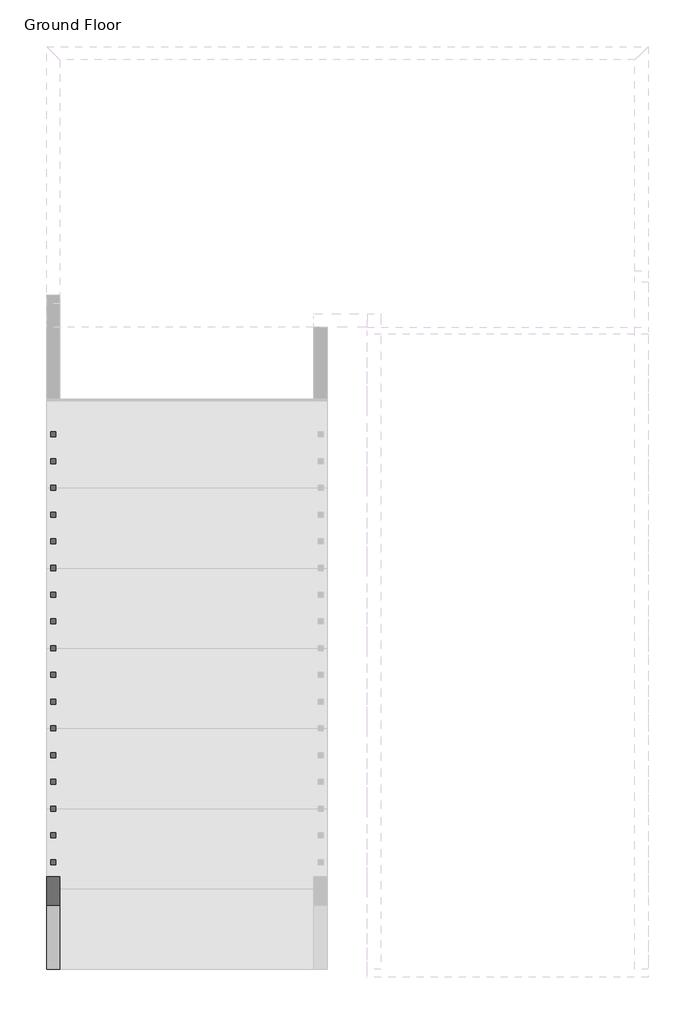
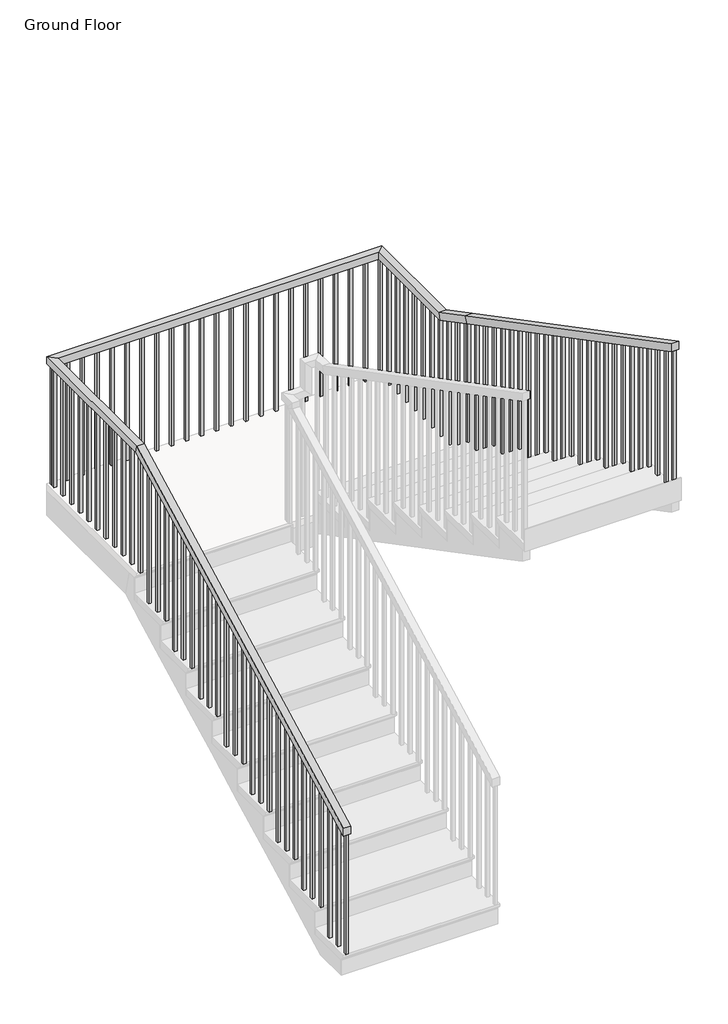
# One storey, part 4 of 10: 1 railing.
"""IFC4 building model written with IfcOpenShell, lengths in millimetres."""

import ifcopenshell
import ifcopenshell.guid

model = None  # the IFC model being written
_history = None  # IfcOwnerHistory: only IFC2X3 demands one
_inside = {}  # id of a spatial element -> (the spatial element, [elements in it])
_under = {}  # id of a project, library or spatial element -> (it, [spatial elements below it])
_declared = {}  # id of a project -> (the project, [libraries it declares])
_typed = {}  # id of a type object -> (the type object, [elements of that type])
_made_of = {}  # id of a material, layer set ... -> (it, [elements and type objects made of it])


def new_model(schema):
    """Start an empty IFC model of exactly this schema.

    Asked for "IFC4X3", IfcOpenShell would pick the latest addendum, in which some entities
    have other attributes; the version numbers below select the first issue.
    IFC2X3 requires an IfcOwnerHistory on every rooted entity: one is made here for all.
    """
    global model, _history
    if schema == "IFC4X3":
        model = ifcopenshell.file(schema_version=(4, 3, 0, 0))
    else:
        model = ifcopenshell.file(schema=schema)
    _inside.clear()
    _under.clear()
    _declared.clear()
    _typed.clear()
    _made_of.clear()
    _history = None
    if model.schema == "IFC2X3":
        org = make("IfcOrganization", Name="unknown")
        user = make(
            "IfcPersonAndOrganization",
            ThePerson=make("IfcPerson", FamilyName="unknown"),
            TheOrganization=org,
        )
        app = make(
            "IfcApplication",
            ApplicationDeveloper=org,
            Version="unknown",
            ApplicationFullName="unknown",
            ApplicationIdentifier="unknown",
        )
        _history = make(
            "IfcOwnerHistory",
            OwningUser=user,
            OwningApplication=app,
            ChangeAction="ADDED",
            CreationDate=0,
        )
    return model


def make(cls, **values):
    """One entity of the class cls with the attributes given. An attribute that is None is left unset."""
    return model.create_entity(
        cls, **{name: value for name, value in values.items() if value is not None}
    )


def rooted(cls, **values):
    """An entity with a GlobalId (a new one), such as an element, a storey or a relation."""
    return make(cls, GlobalId=ifcopenshell.guid.new(), OwnerHistory=_history, **values)


def si_unit(unit_type, name, prefix=None):
    """IfcSIUnit, for example si_unit("LENGTHUNIT", "METRE", prefix="MILLI")."""
    return make("IfcSIUnit", UnitType=unit_type, Prefix=prefix, Name=name)


def assignment(units):
    """IfcUnitAssignment: the units of a project."""
    return None if units is None else make("IfcUnitAssignment", Units=units)


def point(xyz):
    """IfcCartesianPoint."""
    return None if xyz is None else make("IfcCartesianPoint", Coordinates=xyz)


def direction(xyz):
    """IfcDirection."""
    return None if xyz is None else make("IfcDirection", DirectionRatios=xyz)


def frame(location, z_axis=None, x_axis=None):
    """IfcAxis2Placement3D, a coordinate frame: its origin and axes. An axis left out is left unset."""
    return make(
        "IfcAxis2Placement3D",
        Location=point(location),
        Axis=direction(z_axis),
        RefDirection=direction(x_axis),
    )


def origin():
    """The frame at (0, 0, 0) with its axes left unset."""
    return frame((0.0, 0.0, 0.0))


def place(relative_to, where):
    """IfcLocalPlacement: puts the frame where relative to a parent placement (None: the world)."""
    return make(
        "IfcLocalPlacement", PlacementRelTo=relative_to, RelativePlacement=where
    )


def context(
    kind, dimensions, precision=None, world=None, true_north=None, identifier=None
):
    """IfcGeometricRepresentationContext, for example the 3D "Model" context."""
    return make(
        "IfcGeometricRepresentationContext",
        ContextIdentifier=identifier,
        ContextType=kind,
        CoordinateSpaceDimension=dimensions,
        Precision=precision,
        WorldCoordinateSystem=world,
        TrueNorth=true_north,
    )


def project(units=None, contexts=None):
    """IfcProject with its units and contexts."""
    return rooted(
        "IfcProject",
        Name="project",
        RepresentationContexts=contexts,
        UnitsInContext=assignment(units),
    )


def spatial(cls, under=None, at=None, **own):
    """A site, building, storey or space (cls), placed at a placement, below another one or the project."""
    s = rooted(cls, ObjectPlacement=at, **own)
    if under is not None:
        _under.setdefault(under.id(), (under, []))[1].append(s)
    return s


def polyline(points):
    """IfcPolyline through the points."""
    return make("IfcPolyline", Points=[point(p) for p in points])


def outline(outer, holes=None, kind="AREA"):
    """IfcArbitraryClosedProfileDef: a profile drawn as a closed curve; with holes, ...WithVoids."""
    if holes is None:
        return make("IfcArbitraryClosedProfileDef", ProfileType=kind, OuterCurve=outer)
    return make(
        "IfcArbitraryProfileDefWithVoids",
        ProfileType=kind,
        OuterCurve=outer,
        InnerCurves=holes,
    )


def extrude(swept, where, along, depth):
    """IfcExtrudedAreaSolid: the profile swept, set in the frame where, extruded along a direction by depth."""
    return make(
        "IfcExtrudedAreaSolid",
        SweptArea=swept,
        Position=where,
        ExtrudedDirection=direction(along),
        Depth=depth,
    )


def faces_of(points, faces, orient=None, outer=None):
    """IfcFace entities. A face is a list of loops; a loop is a list of indices into points, from 0.

    orient and outer hold one flag for each loop. By default every Orientation is true, the
    first loop of a face is its IfcFaceOuterBound and the others are IfcFaceBound.
    """
    made = []
    for i, loops in enumerate(faces):
        bounds = []
        for j, loop in enumerate(loops):
            is_outer = j == 0 if outer is None else outer[i][j]
            bounds.append(
                make(
                    "IfcFaceOuterBound" if is_outer else "IfcFaceBound",
                    Bound=make("IfcPolyLoop", Polygon=[points[k] for k in loop]),
                    Orientation=True if orient is None else orient[i][j],
                )
            )
        made.append(make("IfcFace", Bounds=bounds))
    return made


def faceted_brep(points, faces, orient=None, outer=None, voids=None):
    """IfcFacetedBrep: a solid bounded by flat faces; with voids (closed shells), ...WithVoids."""
    shared = [point(p) for p in points]
    hull = make("IfcClosedShell", CfsFaces=faces_of(shared, faces, orient, outer))
    if voids is None:
        return make("IfcFacetedBrep", Outer=hull)
    return make(
        "IfcFacetedBrepWithVoids",
        Outer=hull,
        Voids=[
            make(cls, CfsFaces=faces_of(shared, fs, o, b)) for cls, fs, o, b in voids
        ],
    )


def shape(context_of_items, identifier, shape_type, items):
    """IfcShapeRepresentation: the items that make up one representation, for example the "Body"."""
    return make(
        "IfcShapeRepresentation",
        ContextOfItems=context_of_items,
        RepresentationIdentifier=identifier,
        RepresentationType=shape_type,
        Items=items,
    )


def made_of(thing, what):
    """Note that an element or type object is made of a material, layer set ...; save() writes the relation."""
    if what is not None:
        _made_of.setdefault(what.id(), (what, []))[1].append(thing)
    return thing


def element(
    cls,
    number,
    at=None,
    inside=None,
    cuts=None,
    type_object=None,
    material=None,
    context=None,
    identifier="Body",
    shape_type=None,
    held_by="IfcProductDefinitionShape",
    body=None,
    shapes=None,
    **own,
):
    """One element of the class cls, such as IfcWall. Its Tag is "e" and its number.

    at: its placement. inside: the storey or other place that contains it. cuts: it is an
    opening in that element (IfcRelVoidsElement). A single representation is given by context,
    identifier, shape_type and body (its items); several are given by shapes. held_by: the class
    of the entity that holds the representations. save() writes the other relations.
    """
    e = rooted(cls, Tag="e%d" % number, ObjectPlacement=at, **own)
    if body is not None:
        shapes = [shape(context, identifier, shape_type, body)]
    if shapes is not None:
        e.Representation = make(held_by, Representations=shapes)
    if inside is not None:
        _inside.setdefault(inside.id(), (inside, []))[1].append(e)
    if cuts is not None:
        rooted(
            "IfcRelVoidsElement", RelatingBuildingElement=cuts, RelatedOpeningElement=e
        )
    if type_object is not None:
        _typed.setdefault(type_object.id(), (type_object, []))[1].append(e)
    return made_of(e, material)


def aggregate(whole, parts):
    """IfcRelAggregates: a whole, such as a stair, and the parts it consists of."""
    return rooted("IfcRelAggregates", RelatingObject=whole, RelatedObjects=parts)


def save(model, path):
    """Write the relations noted so far, then the file.

    IfcRelAggregates (storeys below a building ...), IfcRelContainedInSpatialStructure (elements
    in a storey), IfcRelDefinesByType, IfcRelAssociatesMaterial and IfcRelDeclares: one each for
    every whole, place, type object, material and project.
    """
    for whole, parts in _under.values():
        aggregate(whole, parts)
    for where, things in _inside.values():
        rooted(
            "IfcRelContainedInSpatialStructure",
            RelatedElements=things,
            RelatingStructure=where,
        )
    for kind, things in _typed.values():
        rooted("IfcRelDefinesByType", RelatedObjects=things, RelatingType=kind)
    for what, things in _made_of.values():
        rooted("IfcRelAssociatesMaterial", RelatedObjects=things, RelatingMaterial=what)
    for by, libraries in _declared.values():
        rooted("IfcRelDeclares", RelatingContext=by, RelatedDefinitions=libraries)
    model.write(path)


model = new_model("IFC4")

# Units and contexts
model_context = context("Model", 3, world=origin())
ifc_project = project(units=[si_unit("LENGTHUNIT", "METRE", prefix="MILLI")], contexts=[model_context])

# Site, building, storey
site = spatial("IfcSite", under=ifc_project)
building = spatial("IfcBuilding", under=site)
storey = spatial("IfcBuildingStorey", under=building, Name="Ground Floor", Elevation=0.0)

# Railing
placement = place(None, origin())
element("IfcRailing", 1, ObjectType="Handrail - Rectangular", at=placement, inside=storey, context=model_context, shape_type="SolidModel", body=[
    faceted_brep([(30377.7015552, -7296.5028521, 1073.8555556), (30377.7015552, -7296.5028521, 1016.5238903), (30428.5015552, -7296.5028521, 1016.5238903), (30428.5015552, -7296.5028521, 1073.8555556), (30377.7015552, -4858.1028521, 2349.5), (30377.7015552, -4845.6175451, 2298.7), (30428.5015552, -4845.6175451, 2298.7), (30428.5015552, -4858.1028521, 2349.5), (30377.7015552, -3791.3028521, 2349.5), (30377.7015552, -3791.3028521, 2298.7), (30428.5015552, -3842.1028521, 2298.7), (30428.5015552, -3842.1028521, 2349.5), (32663.7015552, -3791.3028521, 2349.5), (32663.7015552, -3791.3028521, 2298.7), (32612.9015552, -3842.1028521, 2298.7), (32612.9015552, -3842.1028521, 2349.5), (32663.7015552, -4553.3028521, 2349.5), (32663.7015552, -4565.7881591, 2298.7), (32612.9015552, -4565.7881591, 2298.7), (32612.9015552, -4553.3028521, 2349.5), (32663.7015552, -4858.1028521, 2508.9555556), (32663.7015552, -4881.6510437, 2463.9430831), (32612.9015552, -4881.6510437, 2463.9430831), (32612.9015552, -4858.1028521, 2508.9555556), (32663.7015552, -7296.5028521, 3784.6), (32612.9015552, -7296.5028521, 3784.6), (32612.9015552, -7296.5028521, 3727.2683348), (32663.7015552, -7296.5028521, 3727.2683348)], [[[0, 1, 2, 3]], [[1, 0, 4, 5]], [[2, 1, 5, 6]], [[3, 2, 6, 7]], [[0, 3, 7, 4]], [[5, 4, 8, 9]], [[6, 5, 9, 10]], [[7, 6, 10, 11]], [[4, 7, 11, 8]], [[9, 8, 12, 13]], [[10, 9, 13, 14]], [[11, 10, 14, 15]], [[8, 11, 15, 12]], [[13, 12, 16, 17]], [[14, 13, 17, 18]], [[15, 14, 18, 19]], [[12, 15, 19, 16]], [[17, 16, 20, 21]], [[18, 17, 21, 22]], [[19, 18, 22, 23]], [[16, 19, 23, 20]], [[24, 25, 26, 27]], [[21, 20, 24, 27]], [[22, 21, 27, 26]], [[23, 22, 26, 25]], [[20, 23, 25, 24]]]),
    extrude(outline(polyline([(-7185.3778521, 3669.1334968), (-7185.3778521, 2710.7444444), (-7204.4278521, 2710.7444444), (-7204.4278521, 3679.099469), (-7185.3778521, 3669.1334968)])), frame((32628.7765552, 0.0, 0.0), z_axis=(1.0, 0.0, 0.0), x_axis=(0.0, 1.0, 0.0)), (0.0, 0.0, 1.0), 19.05),
    extrude(outline(polyline([(-7083.7778521, 3615.9816449), (-7083.7778521, 2710.7444444), (-7102.8278521, 2710.7444444), (-7102.8278521, 3625.9476172), (-7083.7778521, 3615.9816449)])), frame((32628.7765552, 0.0, 0.0), z_axis=(1.0, 0.0, 0.0), x_axis=(0.0, 1.0, 0.0)), (0.0, 0.0, 1.0), 19.05),
    extrude(outline(polyline([(-6982.1778521, 3562.8297931), (-6982.1778521, 2710.7444444), (-7001.2278521, 2710.7444444), (-7001.2278521, 3572.7957653), (-6982.1778521, 3562.8297931)])), frame((32628.7765552, 0.0, 0.0), z_axis=(1.0, 0.0, 0.0), x_axis=(0.0, 1.0, 0.0)), (0.0, 0.0, 1.0), 19.05),
    extrude(outline(polyline([(-6880.5778521, 3509.6779412), (-6880.5778521, 2551.2888889), (-6899.6278521, 2551.2888889), (-6899.6278521, 3519.6439135), (-6880.5778521, 3509.6779412)])), frame((32628.7765552, 0.0, 0.0), z_axis=(1.0, 0.0, 0.0), x_axis=(0.0, 1.0, 0.0)), (0.0, 0.0, 1.0), 19.05),
    extrude(outline(polyline([(-6778.9778521, 3456.5260894), (-6778.9778521, 2551.2888889), (-6798.0278521, 2551.2888889), (-6798.0278521, 3466.4920616), (-6778.9778521, 3456.5260894)])), frame((32628.7765552, 0.0, 0.0), z_axis=(1.0, 0.0, 0.0), x_axis=(0.0, 1.0, 0.0)), (0.0, 0.0, 1.0), 19.05),
    extrude(outline(polyline([(-6677.3778521, 3403.3742375), (-6677.3778521, 2551.2888889), (-6696.4278521, 2551.2888889), (-6696.4278521, 3413.3402098), (-6677.3778521, 3403.3742375)])), frame((32628.7765552, 0.0, 0.0), z_axis=(1.0, 0.0, 0.0), x_axis=(0.0, 1.0, 0.0)), (0.0, 0.0, 1.0), 19.05),
    extrude(outline(polyline([(-6575.7778521, 3350.2223857), (-6575.7778521, 2391.8333333), (-6594.8278521, 2391.8333333), (-6594.8278521, 3360.1883579), (-6575.7778521, 3350.2223857)])), frame((32628.7765552, 0.0, 0.0), z_axis=(1.0, 0.0, 0.0), x_axis=(0.0, 1.0, 0.0)), (0.0, 0.0, 1.0), 19.05),
    extrude(outline(polyline([(-6474.1778521, 3297.0705338), (-6474.1778521, 2391.8333333), (-6493.2278521, 2391.8333333), (-6493.2278521, 3307.0365061), (-6474.1778521, 3297.0705338)])), frame((32628.7765552, 0.0, 0.0), z_axis=(1.0, 0.0, 0.0), x_axis=(0.0, 1.0, 0.0)), (0.0, 0.0, 1.0), 19.05),
    extrude(outline(polyline([(-6372.5778521, 3243.918682), (-6372.5778521, 2391.8333333), (-6391.6278521, 2391.8333333), (-6391.6278521, 3253.8846542), (-6372.5778521, 3243.918682)])), frame((32628.7765552, 0.0, 0.0), z_axis=(1.0, 0.0, 0.0), x_axis=(0.0, 1.0, 0.0)), (0.0, 0.0, 1.0), 19.05),
    extrude(outline(polyline([(-6270.9778521, 3190.7668301), (-6270.9778521, 2232.3777778), (-6290.0278521, 2232.3777778), (-6290.0278521, 3200.7328024), (-6270.9778521, 3190.7668301)])), frame((32628.7765552, 0.0, 0.0), z_axis=(1.0, 0.0, 0.0), x_axis=(0.0, 1.0, 0.0)), (0.0, 0.0, 1.0), 19.05),
    extrude(outline(polyline([(-6169.3778521, 3137.6149783), (-6169.3778521, 2232.3777778), (-6188.4278521, 2232.3777778), (-6188.4278521, 3147.5809505), (-6169.3778521, 3137.6149783)])), frame((32628.7765552, 0.0, 0.0), z_axis=(1.0, 0.0, 0.0), x_axis=(0.0, 1.0, 0.0)), (0.0, 0.0, 1.0), 19.05),
    extrude(outline(polyline([(-6067.7778521, 3084.4631264), (-6067.7778521, 2232.3777778), (-6086.8278521, 2232.3777778), (-6086.8278521, 3094.4290987), (-6067.7778521, 3084.4631264)])), frame((32628.7765552, 0.0, 0.0), z_axis=(1.0, 0.0, 0.0), x_axis=(0.0, 1.0, 0.0)), (0.0, 0.0, 1.0), 19.05),
    extrude(outline(polyline([(-5966.1778521, 3031.3112746), (-5966.1778521, 2072.9222222), (-5985.2278521, 2072.9222222), (-5985.2278521, 3041.2772468), (-5966.1778521, 3031.3112746)])), frame((32628.7765552, 0.0, 0.0), z_axis=(1.0, 0.0, 0.0), x_axis=(0.0, 1.0, 0.0)), (0.0, 0.0, 1.0), 19.05),
    extrude(outline(polyline([(-5864.5778521, 2978.1594227), (-5864.5778521, 2072.9222222), (-5883.6278521, 2072.9222222), (-5883.6278521, 2988.1253949), (-5864.5778521, 2978.1594227)])), frame((32628.7765552, 0.0, 0.0), z_axis=(1.0, 0.0, 0.0), x_axis=(0.0, 1.0, 0.0)), (0.0, 0.0, 1.0), 19.05),
    extrude(outline(polyline([(-5762.9778521, 2925.0075709), (-5762.9778521, 2072.9222222), (-5782.0278521, 2072.9222222), (-5782.0278521, 2934.9735431), (-5762.9778521, 2925.0075709)])), frame((32628.7765552, 0.0, 0.0), z_axis=(1.0, 0.0, 0.0), x_axis=(0.0, 1.0, 0.0)), (0.0, 0.0, 1.0), 19.05),
    extrude(outline(polyline([(-5661.3778521, 2871.855719), (-5661.3778521, 1913.4666667), (-5680.4278521, 1913.4666667), (-5680.4278521, 2881.8216912), (-5661.3778521, 2871.855719)])), frame((32628.7765552, 0.0, 0.0), z_axis=(1.0, 0.0, 0.0), x_axis=(0.0, 1.0, 0.0)), (0.0, 0.0, 1.0), 19.05),
    extrude(outline(polyline([(-5559.7778521, 2818.7038672), (-5559.7778521, 1913.4666667), (-5578.8278521, 1913.4666667), (-5578.8278521, 2828.6698394), (-5559.7778521, 2818.7038672)])), frame((32628.7765552, 0.0, 0.0), z_axis=(1.0, 0.0, 0.0), x_axis=(0.0, 1.0, 0.0)), (0.0, 0.0, 1.0), 19.05),
    extrude(outline(polyline([(-5458.1778521, 2765.5520153), (-5458.1778521, 1913.4666667), (-5477.2278521, 1913.4666667), (-5477.2278521, 2775.5179875), (-5458.1778521, 2765.5520153)])), frame((32628.7765552, 0.0, 0.0), z_axis=(1.0, 0.0, 0.0), x_axis=(0.0, 1.0, 0.0)), (0.0, 0.0, 1.0), 19.05),
    extrude(outline(polyline([(-5356.5778521, 2712.4001635), (-5356.5778521, 1754.0111111), (-5375.6278521, 1754.0111111), (-5375.6278521, 2722.3661357), (-5356.5778521, 2712.4001635)])), frame((32628.7765552, 0.0, 0.0), z_axis=(1.0, 0.0, 0.0), x_axis=(0.0, 1.0, 0.0)), (0.0, 0.0, 1.0), 19.05),
    extrude(outline(polyline([(-5254.9778521, 2659.2483116), (-5254.9778521, 1754.0111111), (-5274.0278521, 1754.0111111), (-5274.0278521, 2669.2142838), (-5254.9778521, 2659.2483116)])), frame((32628.7765552, 0.0, 0.0), z_axis=(1.0, 0.0, 0.0), x_axis=(0.0, 1.0, 0.0)), (0.0, 0.0, 1.0), 19.05),
    extrude(outline(polyline([(-5153.3778521, 2606.0964598), (-5153.3778521, 1754.0111111), (-5172.4278521, 1754.0111111), (-5172.4278521, 2616.062432), (-5153.3778521, 2606.0964598)])), frame((32628.7765552, 0.0, 0.0), z_axis=(1.0, 0.0, 0.0), x_axis=(0.0, 1.0, 0.0)), (0.0, 0.0, 1.0), 19.05),
    extrude(outline(polyline([(-5051.7778521, 2552.9446079), (-5051.7778521, 1594.5555556), (-5070.8278521, 1594.5555556), (-5070.8278521, 2562.9105801), (-5051.7778521, 2552.9446079)])), frame((32628.7765552, 0.0, 0.0), z_axis=(1.0, 0.0, 0.0), x_axis=(0.0, 1.0, 0.0)), (0.0, 0.0, 1.0), 19.05),
    extrude(outline(polyline([(-4950.1778521, 2499.7927561), (-4950.1778521, 1594.5555556), (-4969.2278521, 1594.5555556), (-4969.2278521, 2509.7587283), (-4950.1778521, 2499.7927561)])), frame((32628.7765552, 0.0, 0.0), z_axis=(1.0, 0.0, 0.0), x_axis=(0.0, 1.0, 0.0)), (0.0, 0.0, 1.0), 19.05),
    extrude(outline(polyline([(-4823.1778521, 2433.3529412), (-4823.1778521, 1435.1), (-4842.2278521, 1435.1), (-4842.2278521, 2443.3189135), (-4823.1778521, 2433.3529412)])), frame((32628.7765552, 0.0, 0.0), z_axis=(1.0, 0.0, 0.0), x_axis=(0.0, 1.0, 0.0)), (0.0, 0.0, 1.0), 19.05),
    extrude(outline(polyline([(-4721.5778521, 2380.2010894), (-4721.5778521, 1435.1), (-4740.6278521, 1435.1), (-4740.6278521, 2390.1670616), (-4721.5778521, 2380.2010894)])), frame((32628.7765552, 0.0, 0.0), z_axis=(1.0, 0.0, 0.0), x_axis=(0.0, 1.0, 0.0)), (0.0, 0.0, 1.0), 19.05),
    extrude(outline(polyline([(-4619.9778521, 2327.0492375), (-4619.9778521, 1435.1), (-4639.0278521, 1435.1), (-4639.0278521, 2337.0152098), (-4619.9778521, 2327.0492375)])), frame((32628.7765552, 0.0, 0.0), z_axis=(1.0, 0.0, 0.0), x_axis=(0.0, 1.0, 0.0)), (0.0, 0.0, 1.0), 19.05),
    extrude(outline(polyline([(32647.8265552, -4518.3778521), (32647.8265552, -4537.4278521), (32628.7765552, -4537.4278521), (32628.7765552, -4518.3778521), (32647.8265552, -4518.3778521)])), frame((0.0, 0.0, 1435.1), z_axis=(0.0, 0.0, 1.0), x_axis=(1.0, 0.0, 0.0)), (0.0, 0.0, 1.0), 863.6),
    extrude(outline(polyline([(32647.8265552, -4416.7778521), (32647.8265552, -4435.8278521), (32628.7765552, -4435.8278521), (32628.7765552, -4416.7778521), (32647.8265552, -4416.7778521)])), frame((0.0, 0.0, 1435.1), z_axis=(0.0, 0.0, 1.0), x_axis=(1.0, 0.0, 0.0)), (0.0, 0.0, 1.0), 863.6),
    extrude(outline(polyline([(32647.8265552, -4315.1778521), (32647.8265552, -4334.2278521), (32628.7765552, -4334.2278521), (32628.7765552, -4315.1778521), (32647.8265552, -4315.1778521)])), frame((0.0, 0.0, 1435.1), z_axis=(0.0, 0.0, 1.0), x_axis=(1.0, 0.0, 0.0)), (0.0, 0.0, 1.0), 863.6),
    extrude(outline(polyline([(32647.8265552, -4213.5778521), (32647.8265552, -4232.6278521), (32628.7765552, -4232.6278521), (32628.7765552, -4213.5778521), (32647.8265552, -4213.5778521)])), frame((0.0, 0.0, 1435.1), z_axis=(0.0, 0.0, 1.0), x_axis=(1.0, 0.0, 0.0)), (0.0, 0.0, 1.0), 863.6),
    extrude(outline(polyline([(32647.8265552, -4111.9778521), (32647.8265552, -4131.0278521), (32628.7765552, -4131.0278521), (32628.7765552, -4111.9778521), (32647.8265552, -4111.9778521)])), frame((0.0, 0.0, 1435.1), z_axis=(0.0, 0.0, 1.0), x_axis=(1.0, 0.0, 0.0)), (0.0, 0.0, 1.0), 863.6),
    extrude(outline(polyline([(32647.8265552, -4010.3778521), (32647.8265552, -4029.4278521), (32628.7765552, -4029.4278521), (32628.7765552, -4010.3778521), (32647.8265552, -4010.3778521)])), frame((0.0, 0.0, 1435.1), z_axis=(0.0, 0.0, 1.0), x_axis=(1.0, 0.0, 0.0)), (0.0, 0.0, 1.0), 863.6),
    extrude(outline(polyline([(32647.8265552, -3908.7778521), (32647.8265552, -3927.8278521), (32628.7765552, -3927.8278521), (32628.7765552, -3908.7778521), (32647.8265552, -3908.7778521)])), frame((0.0, 0.0, 1435.1), z_axis=(0.0, 0.0, 1.0), x_axis=(1.0, 0.0, 0.0)), (0.0, 0.0, 1.0), 863.6),
    extrude(outline(polyline([(32527.1765552, -3807.1778521), (32546.2265552, -3807.1778521), (32546.2265552, -3826.2278521), (32527.1765552, -3826.2278521), (32527.1765552, -3807.1778521)])), frame((0.0, 0.0, 1435.1), z_axis=(0.0, 0.0, 1.0), x_axis=(1.0, 0.0, 0.0)), (0.0, 0.0, 1.0), 863.6),
    extrude(outline(polyline([(32425.5765552, -3807.1778521), (32444.6265552, -3807.1778521), (32444.6265552, -3826.2278521), (32425.5765552, -3826.2278521), (32425.5765552, -3807.1778521)])), frame((0.0, 0.0, 1435.1), z_axis=(0.0, 0.0, 1.0), x_axis=(1.0, 0.0, 0.0)), (0.0, 0.0, 1.0), 863.6),
    extrude(outline(polyline([(32323.9765552, -3807.1778521), (32343.0265552, -3807.1778521), (32343.0265552, -3826.2278521), (32323.9765552, -3826.2278521), (32323.9765552, -3807.1778521)])), frame((0.0, 0.0, 1435.1), z_axis=(0.0, 0.0, 1.0), x_axis=(1.0, 0.0, 0.0)), (0.0, 0.0, 1.0), 863.6),
    extrude(outline(polyline([(32222.3765552, -3807.1778521), (32241.4265552, -3807.1778521), (32241.4265552, -3826.2278521), (32222.3765552, -3826.2278521), (32222.3765552, -3807.1778521)])), frame((0.0, 0.0, 1435.1), z_axis=(0.0, 0.0, 1.0), x_axis=(1.0, 0.0, 0.0)), (0.0, 0.0, 1.0), 863.6),
    extrude(outline(polyline([(32120.7765552, -3807.1778521), (32139.8265552, -3807.1778521), (32139.8265552, -3826.2278521), (32120.7765552, -3826.2278521), (32120.7765552, -3807.1778521)])), frame((0.0, 0.0, 1435.1), z_axis=(0.0, 0.0, 1.0), x_axis=(1.0, 0.0, 0.0)), (0.0, 0.0, 1.0), 863.6),
    extrude(outline(polyline([(32019.1765552, -3807.1778521), (32038.2265552, -3807.1778521), (32038.2265552, -3826.2278521), (32019.1765552, -3826.2278521), (32019.1765552, -3807.1778521)])), frame((0.0, 0.0, 1435.1), z_axis=(0.0, 0.0, 1.0), x_axis=(1.0, 0.0, 0.0)), (0.0, 0.0, 1.0), 863.6),
    extrude(outline(polyline([(31917.5765552, -3807.1778521), (31936.6265552, -3807.1778521), (31936.6265552, -3826.2278521), (31917.5765552, -3826.2278521), (31917.5765552, -3807.1778521)])), frame((0.0, 0.0, 1435.1), z_axis=(0.0, 0.0, 1.0), x_axis=(1.0, 0.0, 0.0)), (0.0, 0.0, 1.0), 863.6),
    extrude(outline(polyline([(31815.9765552, -3807.1778521), (31835.0265552, -3807.1778521), (31835.0265552, -3826.2278521), (31815.9765552, -3826.2278521), (31815.9765552, -3807.1778521)])), frame((0.0, 0.0, 1435.1), z_axis=(0.0, 0.0, 1.0), x_axis=(1.0, 0.0, 0.0)), (0.0, 0.0, 1.0), 863.6),
    extrude(outline(polyline([(31714.3765552, -3807.1778521), (31733.4265552, -3807.1778521), (31733.4265552, -3826.2278521), (31714.3765552, -3826.2278521), (31714.3765552, -3807.1778521)])), frame((0.0, 0.0, 1435.1), z_axis=(0.0, 0.0, 1.0), x_axis=(1.0, 0.0, 0.0)), (0.0, 0.0, 1.0), 863.6),
    extrude(outline(polyline([(31612.7765552, -3807.1778521), (31631.8265552, -3807.1778521), (31631.8265552, -3826.2278521), (31612.7765552, -3826.2278521), (31612.7765552, -3807.1778521)])), frame((0.0, 0.0, 1435.1), z_axis=(0.0, 0.0, 1.0), x_axis=(1.0, 0.0, 0.0)), (0.0, 0.0, 1.0), 863.6),
    extrude(outline(polyline([(31511.1765552, -3807.1778521), (31530.2265552, -3807.1778521), (31530.2265552, -3826.2278521), (31511.1765552, -3826.2278521), (31511.1765552, -3807.1778521)])), frame((0.0, 0.0, 1435.1), z_axis=(0.0, 0.0, 1.0), x_axis=(1.0, 0.0, 0.0)), (0.0, 0.0, 1.0), 863.6),
    extrude(outline(polyline([(31409.5765552, -3807.1778521), (31428.6265552, -3807.1778521), (31428.6265552, -3826.2278521), (31409.5765552, -3826.2278521), (31409.5765552, -3807.1778521)])), frame((0.0, 0.0, 1435.1), z_axis=(0.0, 0.0, 1.0), x_axis=(1.0, 0.0, 0.0)), (0.0, 0.0, 1.0), 863.6),
    extrude(outline(polyline([(31307.9765552, -3807.1778521), (31327.0265552, -3807.1778521), (31327.0265552, -3826.2278521), (31307.9765552, -3826.2278521), (31307.9765552, -3807.1778521)])), frame((0.0, 0.0, 1435.1), z_axis=(0.0, 0.0, 1.0), x_axis=(1.0, 0.0, 0.0)), (0.0, 0.0, 1.0), 863.6),
    extrude(outline(polyline([(31206.3765552, -3807.1778521), (31225.4265552, -3807.1778521), (31225.4265552, -3826.2278521), (31206.3765552, -3826.2278521), (31206.3765552, -3807.1778521)])), frame((0.0, 0.0, 1435.1), z_axis=(0.0, 0.0, 1.0), x_axis=(1.0, 0.0, 0.0)), (0.0, 0.0, 1.0), 863.6),
    extrude(outline(polyline([(31104.7765552, -3807.1778521), (31123.8265552, -3807.1778521), (31123.8265552, -3826.2278521), (31104.7765552, -3826.2278521), (31104.7765552, -3807.1778521)])), frame((0.0, 0.0, 1435.1), z_axis=(0.0, 0.0, 1.0), x_axis=(1.0, 0.0, 0.0)), (0.0, 0.0, 1.0), 863.6),
    extrude(outline(polyline([(31003.1765552, -3807.1778521), (31022.2265552, -3807.1778521), (31022.2265552, -3826.2278521), (31003.1765552, -3826.2278521), (31003.1765552, -3807.1778521)])), frame((0.0, 0.0, 1435.1), z_axis=(0.0, 0.0, 1.0), x_axis=(1.0, 0.0, 0.0)), (0.0, 0.0, 1.0), 863.6),
    extrude(outline(polyline([(30901.5765552, -3807.1778521), (30920.6265552, -3807.1778521), (30920.6265552, -3826.2278521), (30901.5765552, -3826.2278521), (30901.5765552, -3807.1778521)])), frame((0.0, 0.0, 1435.1), z_axis=(0.0, 0.0, 1.0), x_axis=(1.0, 0.0, 0.0)), (0.0, 0.0, 1.0), 863.6),
    extrude(outline(polyline([(30799.9765552, -3807.1778521), (30819.0265552, -3807.1778521), (30819.0265552, -3826.2278521), (30799.9765552, -3826.2278521), (30799.9765552, -3807.1778521)])), frame((0.0, 0.0, 1435.1), z_axis=(0.0, 0.0, 1.0), x_axis=(1.0, 0.0, 0.0)), (0.0, 0.0, 1.0), 863.6),
    extrude(outline(polyline([(30698.3765552, -3807.1778521), (30717.4265552, -3807.1778521), (30717.4265552, -3826.2278521), (30698.3765552, -3826.2278521), (30698.3765552, -3807.1778521)])), frame((0.0, 0.0, 1435.1), z_axis=(0.0, 0.0, 1.0), x_axis=(1.0, 0.0, 0.0)), (0.0, 0.0, 1.0), 863.6),
    extrude(outline(polyline([(30596.7765552, -3807.1778521), (30615.8265552, -3807.1778521), (30615.8265552, -3826.2278521), (30596.7765552, -3826.2278521), (30596.7765552, -3807.1778521)])), frame((0.0, 0.0, 1435.1), z_axis=(0.0, 0.0, 1.0), x_axis=(1.0, 0.0, 0.0)), (0.0, 0.0, 1.0), 863.6),
    extrude(outline(polyline([(30495.1765552, -3807.1778521), (30514.2265552, -3807.1778521), (30514.2265552, -3826.2278521), (30495.1765552, -3826.2278521), (30495.1765552, -3807.1778521)])), frame((0.0, 0.0, 1435.1), z_axis=(0.0, 0.0, 1.0), x_axis=(1.0, 0.0, 0.0)), (0.0, 0.0, 1.0), 863.6),
    extrude(outline(polyline([(30393.5765552, -3851.6278521), (30393.5765552, -3832.5778521), (30412.6265552, -3832.5778521), (30412.6265552, -3851.6278521), (30393.5765552, -3851.6278521)])), frame((0.0, 0.0, 1435.1), z_axis=(0.0, 0.0, 1.0), x_axis=(1.0, 0.0, 0.0)), (0.0, 0.0, 1.0), 863.6),
    extrude(outline(polyline([(30393.5765552, -3953.2278521), (30393.5765552, -3934.1778521), (30412.6265552, -3934.1778521), (30412.6265552, -3953.2278521), (30393.5765552, -3953.2278521)])), frame((0.0, 0.0, 1435.1), z_axis=(0.0, 0.0, 1.0), x_axis=(1.0, 0.0, 0.0)), (0.0, 0.0, 1.0), 863.6),
    extrude(outline(polyline([(30393.5765552, -4054.8278521), (30393.5765552, -4035.7778521), (30412.6265552, -4035.7778521), (30412.6265552, -4054.8278521), (30393.5765552, -4054.8278521)])), frame((0.0, 0.0, 1435.1), z_axis=(0.0, 0.0, 1.0), x_axis=(1.0, 0.0, 0.0)), (0.0, 0.0, 1.0), 863.6),
    extrude(outline(polyline([(30393.5765552, -4156.4278521), (30393.5765552, -4137.3778521), (30412.6265552, -4137.3778521), (30412.6265552, -4156.4278521), (30393.5765552, -4156.4278521)])), frame((0.0, 0.0, 1435.1), z_axis=(0.0, 0.0, 1.0), x_axis=(1.0, 0.0, 0.0)), (0.0, 0.0, 1.0), 863.6),
    extrude(outline(polyline([(30393.5765552, -4258.0278521), (30393.5765552, -4238.9778521), (30412.6265552, -4238.9778521), (30412.6265552, -4258.0278521), (30393.5765552, -4258.0278521)])), frame((0.0, 0.0, 1435.1), z_axis=(0.0, 0.0, 1.0), x_axis=(1.0, 0.0, 0.0)), (0.0, 0.0, 1.0), 863.6),
    extrude(outline(polyline([(30393.5765552, -4359.6278521), (30393.5765552, -4340.5778521), (30412.6265552, -4340.5778521), (30412.6265552, -4359.6278521), (30393.5765552, -4359.6278521)])), frame((0.0, 0.0, 1435.1), z_axis=(0.0, 0.0, 1.0), x_axis=(1.0, 0.0, 0.0)), (0.0, 0.0, 1.0), 863.6),
    extrude(outline(polyline([(30393.5765552, -4461.2278521), (30393.5765552, -4442.1778521), (30412.6265552, -4442.1778521), (30412.6265552, -4461.2278521), (30393.5765552, -4461.2278521)])), frame((0.0, 0.0, 1435.1), z_axis=(0.0, 0.0, 1.0), x_axis=(1.0, 0.0, 0.0)), (0.0, 0.0, 1.0), 863.6),
    extrude(outline(polyline([(30393.5765552, -4562.8278521), (30393.5765552, -4543.7778521), (30412.6265552, -4543.7778521), (30412.6265552, -4562.8278521), (30393.5765552, -4562.8278521)])), frame((0.0, 0.0, 1435.1), z_axis=(0.0, 0.0, 1.0), x_axis=(1.0, 0.0, 0.0)), (0.0, 0.0, 1.0), 863.6),
    extrude(outline(polyline([(30393.5765552, -4664.4278521), (30393.5765552, -4645.3778521), (30412.6265552, -4645.3778521), (30412.6265552, -4664.4278521), (30393.5765552, -4664.4278521)])), frame((0.0, 0.0, 1435.1), z_axis=(0.0, 0.0, 1.0), x_axis=(1.0, 0.0, 0.0)), (0.0, 0.0, 1.0), 863.6),
    extrude(outline(polyline([(30393.5765552, -4766.0278521), (30393.5765552, -4746.9778521), (30412.6265552, -4746.9778521), (30412.6265552, -4766.0278521), (30393.5765552, -4766.0278521)])), frame((0.0, 0.0, 1435.1), z_axis=(0.0, 0.0, 1.0), x_axis=(1.0, 0.0, 0.0)), (0.0, 0.0, 1.0), 863.6),
    extrude(outline(polyline([(-4950.1778521, 2243.999469), (-4950.1778521, 1275.6444444), (-4969.2278521, 1275.6444444), (-4969.2278521, 2234.0334968), (-4950.1778521, 2243.999469)])), frame((30393.5765552, 0.0, 0.0), z_axis=(1.0, 0.0, 0.0), x_axis=(0.0, 1.0, 0.0)), (0.0, 0.0, 1.0), 19.05),
    extrude(outline(polyline([(-5051.7778521, 2190.8476172), (-5051.7778521, 1275.6444444), (-5070.8278521, 1275.6444444), (-5070.8278521, 2180.8816449), (-5051.7778521, 2190.8476172)])), frame((30393.5765552, 0.0, 0.0), z_axis=(1.0, 0.0, 0.0), x_axis=(0.0, 1.0, 0.0)), (0.0, 0.0, 1.0), 19.05),
    extrude(outline(polyline([(-5153.3778521, 2137.6957653), (-5153.3778521, 1275.6444444), (-5172.4278521, 1275.6444444), (-5172.4278521, 2127.7297931), (-5153.3778521, 2137.6957653)])), frame((30393.5765552, 0.0, 0.0), z_axis=(1.0, 0.0, 0.0), x_axis=(0.0, 1.0, 0.0)), (0.0, 0.0, 1.0), 19.05),
    extrude(outline(polyline([(-5254.9778521, 2084.5439135), (-5254.9778521, 1116.1888889), (-5274.0278521, 1116.1888889), (-5274.0278521, 2074.5779412), (-5254.9778521, 2084.5439135)])), frame((30393.5765552, 0.0, 0.0), z_axis=(1.0, 0.0, 0.0), x_axis=(0.0, 1.0, 0.0)), (0.0, 0.0, 1.0), 19.05),
    extrude(outline(polyline([(-5356.5778521, 2031.3920616), (-5356.5778521, 1116.1888889), (-5375.6278521, 1116.1888889), (-5375.6278521, 2021.4260894), (-5356.5778521, 2031.3920616)])), frame((30393.5765552, 0.0, 0.0), z_axis=(1.0, 0.0, 0.0), x_axis=(0.0, 1.0, 0.0)), (0.0, 0.0, 1.0), 19.05),
    extrude(outline(polyline([(-5458.1778521, 1978.2402098), (-5458.1778521, 1116.1888889), (-5477.2278521, 1116.1888889), (-5477.2278521, 1968.2742375), (-5458.1778521, 1978.2402098)])), frame((30393.5765552, 0.0, 0.0), z_axis=(1.0, 0.0, 0.0), x_axis=(0.0, 1.0, 0.0)), (0.0, 0.0, 1.0), 19.05),
    extrude(outline(polyline([(-5559.7778521, 1925.0883579), (-5559.7778521, 956.7333333), (-5578.8278521, 956.7333333), (-5578.8278521, 1915.1223857), (-5559.7778521, 1925.0883579)])), frame((30393.5765552, 0.0, 0.0), z_axis=(1.0, 0.0, 0.0), x_axis=(0.0, 1.0, 0.0)), (0.0, 0.0, 1.0), 19.05),
    extrude(outline(polyline([(-5661.3778521, 1871.9365061), (-5661.3778521, 956.7333333), (-5680.4278521, 956.7333333), (-5680.4278521, 1861.9705338), (-5661.3778521, 1871.9365061)])), frame((30393.5765552, 0.0, 0.0), z_axis=(1.0, 0.0, 0.0), x_axis=(0.0, 1.0, 0.0)), (0.0, 0.0, 1.0), 19.05),
    extrude(outline(polyline([(-5762.9778521, 1818.7846542), (-5762.9778521, 956.7333333), (-5782.0278521, 956.7333333), (-5782.0278521, 1808.818682), (-5762.9778521, 1818.7846542)])), frame((30393.5765552, 0.0, 0.0), z_axis=(1.0, 0.0, 0.0), x_axis=(0.0, 1.0, 0.0)), (0.0, 0.0, 1.0), 19.05),
    extrude(outline(polyline([(-5864.5778521, 1765.6328024), (-5864.5778521, 797.2777778), (-5883.6278521, 797.2777778), (-5883.6278521, 1755.6668301), (-5864.5778521, 1765.6328024)])), frame((30393.5765552, 0.0, 0.0), z_axis=(1.0, 0.0, 0.0), x_axis=(0.0, 1.0, 0.0)), (0.0, 0.0, 1.0), 19.05),
    extrude(outline(polyline([(-5966.1778521, 1712.4809505), (-5966.1778521, 797.2777778), (-5985.2278521, 797.2777778), (-5985.2278521, 1702.5149783), (-5966.1778521, 1712.4809505)])), frame((30393.5765552, 0.0, 0.0), z_axis=(1.0, 0.0, 0.0), x_axis=(0.0, 1.0, 0.0)), (0.0, 0.0, 1.0), 19.05),
    extrude(outline(polyline([(-6067.7778521, 1659.3290987), (-6067.7778521, 797.2777778), (-6086.8278521, 797.2777778), (-6086.8278521, 1649.3631264), (-6067.7778521, 1659.3290987)])), frame((30393.5765552, 0.0, 0.0), z_axis=(1.0, 0.0, 0.0), x_axis=(0.0, 1.0, 0.0)), (0.0, 0.0, 1.0), 19.05),
    extrude(outline(polyline([(-6169.3778521, 1606.1772468), (-6169.3778521, 637.8222222), (-6188.4278521, 637.8222222), (-6188.4278521, 1596.2112746), (-6169.3778521, 1606.1772468)])), frame((30393.5765552, 0.0, 0.0), z_axis=(1.0, 0.0, 0.0), x_axis=(0.0, 1.0, 0.0)), (0.0, 0.0, 1.0), 19.05),
    extrude(outline(polyline([(-6270.9778521, 1553.0253949), (-6270.9778521, 637.8222222), (-6290.0278521, 637.8222222), (-6290.0278521, 1543.0594227), (-6270.9778521, 1553.0253949)])), frame((30393.5765552, 0.0, 0.0), z_axis=(1.0, 0.0, 0.0), x_axis=(0.0, 1.0, 0.0)), (0.0, 0.0, 1.0), 19.05),
    extrude(outline(polyline([(-6372.5778521, 1499.8735431), (-6372.5778521, 637.8222222), (-6391.6278521, 637.8222222), (-6391.6278521, 1489.9075709), (-6372.5778521, 1499.8735431)])), frame((30393.5765552, 0.0, 0.0), z_axis=(1.0, 0.0, 0.0), x_axis=(0.0, 1.0, 0.0)), (0.0, 0.0, 1.0), 19.05),
    extrude(outline(polyline([(-6474.1778521, 1446.7216912), (-6474.1778521, 478.3666667), (-6493.2278521, 478.3666667), (-6493.2278521, 1436.755719), (-6474.1778521, 1446.7216912)])), frame((30393.5765552, 0.0, 0.0), z_axis=(1.0, 0.0, 0.0), x_axis=(0.0, 1.0, 0.0)), (0.0, 0.0, 1.0), 19.05),
    extrude(outline(polyline([(-6575.7778521, 1393.5698394), (-6575.7778521, 478.3666667), (-6594.8278521, 478.3666667), (-6594.8278521, 1383.6038672), (-6575.7778521, 1393.5698394)])), frame((30393.5765552, 0.0, 0.0), z_axis=(1.0, 0.0, 0.0), x_axis=(0.0, 1.0, 0.0)), (0.0, 0.0, 1.0), 19.05),
    extrude(outline(polyline([(-6677.3778521, 1340.4179875), (-6677.3778521, 478.3666667), (-6696.4278521, 478.3666667), (-6696.4278521, 1330.4520153), (-6677.3778521, 1340.4179875)])), frame((30393.5765552, 0.0, 0.0), z_axis=(1.0, 0.0, 0.0), x_axis=(0.0, 1.0, 0.0)), (0.0, 0.0, 1.0), 19.05),
    extrude(outline(polyline([(-6778.9778521, 1287.2661357), (-6778.9778521, 318.9111111), (-6798.0278521, 318.9111111), (-6798.0278521, 1277.3001635), (-6778.9778521, 1287.2661357)])), frame((30393.5765552, 0.0, 0.0), z_axis=(1.0, 0.0, 0.0), x_axis=(0.0, 1.0, 0.0)), (0.0, 0.0, 1.0), 19.05),
    extrude(outline(polyline([(-6880.5778521, 1234.1142838), (-6880.5778521, 318.9111111), (-6899.6278521, 318.9111111), (-6899.6278521, 1224.1483116), (-6880.5778521, 1234.1142838)])), frame((30393.5765552, 0.0, 0.0), z_axis=(1.0, 0.0, 0.0), x_axis=(0.0, 1.0, 0.0)), (0.0, 0.0, 1.0), 19.05),
    extrude(outline(polyline([(-6982.1778521, 1180.962432), (-6982.1778521, 318.9111111), (-7001.2278521, 318.9111111), (-7001.2278521, 1170.9964598), (-6982.1778521, 1180.962432)])), frame((30393.5765552, 0.0, 0.0), z_axis=(1.0, 0.0, 0.0), x_axis=(0.0, 1.0, 0.0)), (0.0, 0.0, 1.0), 19.05),
    extrude(outline(polyline([(-7083.7778521, 1127.8105801), (-7083.7778521, 159.4555556), (-7102.8278521, 159.4555556), (-7102.8278521, 1117.8446079), (-7083.7778521, 1127.8105801)])), frame((30393.5765552, 0.0, 0.0), z_axis=(1.0, 0.0, 0.0), x_axis=(0.0, 1.0, 0.0)), (0.0, 0.0, 1.0), 19.05),
    extrude(outline(polyline([(-7185.3778521, 1074.6587283), (-7185.3778521, 159.4555556), (-7204.4278521, 159.4555556), (-7204.4278521, 1064.6927561), (-7185.3778521, 1074.6587283)])), frame((30393.5765552, 0.0, 0.0), z_axis=(1.0, 0.0, 0.0), x_axis=(0.0, 1.0, 0.0)), (0.0, 0.0, 1.0), 19.05),
    extrude(outline(polyline([(-4848.5778521, 2446.6409042), (-4848.5778521, 1435.1), (-4867.6278521, 1435.1), (-4867.6278521, 2456.6068764), (-4848.5778521, 2446.6409042)])), frame((32628.7765552, 0.0, 0.0), z_axis=(1.0, 0.0, 0.0), x_axis=(0.0, 1.0, 0.0)), (0.0, 0.0, 1.0), 19.05),
    extrude(outline(polyline([(32628.7765552, -3807.1778521), (32647.8265552, -3807.1778521), (32647.8265552, -3826.2278521), (32628.7765552, -3826.2278521), (32628.7765552, -3807.1778521)])), frame((0.0, 0.0, 1435.1), z_axis=(0.0, 0.0, 1.0), x_axis=(1.0, 0.0, 0.0)), (0.0, 0.0, 1.0), 863.6),
    extrude(outline(polyline([(30393.5765552, -3826.2278521), (30393.5765552, -3807.1778521), (30412.6265552, -3807.1778521), (30412.6265552, -3826.2278521), (30393.5765552, -3826.2278521)])), frame((0.0, 0.0, 1435.1), z_axis=(0.0, 0.0, 1.0), x_axis=(1.0, 0.0, 0.0)), (0.0, 0.0, 1.0), 863.6),
    extrude(outline(polyline([(-4848.5778521, 2297.1513209), (-4848.5778521, 1435.1), (-4867.6278521, 1435.1), (-4867.6278521, 2287.1853487), (-4848.5778521, 2297.1513209)])), frame((30393.5765552, 0.0, 0.0), z_axis=(1.0, 0.0, 0.0), x_axis=(0.0, 1.0, 0.0)), (0.0, 0.0, 1.0), 19.05),
    extrude(outline(polyline([(-7277.4528521, 3717.3023625), (-7277.4528521, 2710.7444444), (-7296.5028521, 2710.7444444), (-7296.5028521, 3727.2683348), (-7277.4528521, 3717.3023625)])), frame((32628.7765552, 0.0, 0.0), z_axis=(1.0, 0.0, 0.0), x_axis=(0.0, 1.0, 0.0)), (0.0, 0.0, 1.0), 19.05),
    extrude(outline(polyline([(-7277.4528521, 1026.4898625), (-7277.4528521, 159.4555556), (-7296.5028521, 159.4555556), (-7296.5028521, 1016.5238903), (-7277.4528521, 1026.4898625)])), frame((30393.5765552, 0.0, 0.0), z_axis=(1.0, 0.0, 0.0), x_axis=(0.0, 1.0, 0.0)), (0.0, 0.0, 1.0), 19.05),
])

save(model, "model.ifc")
